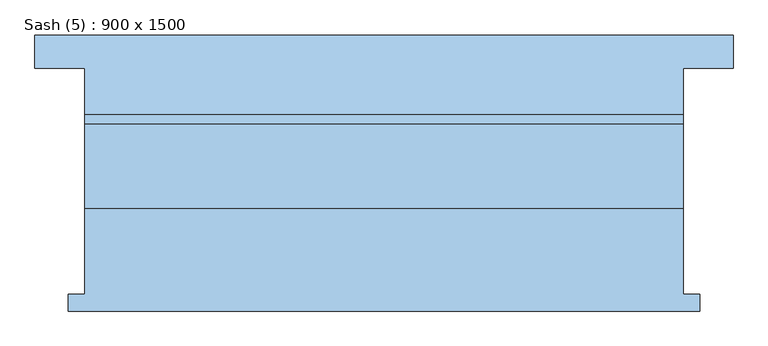
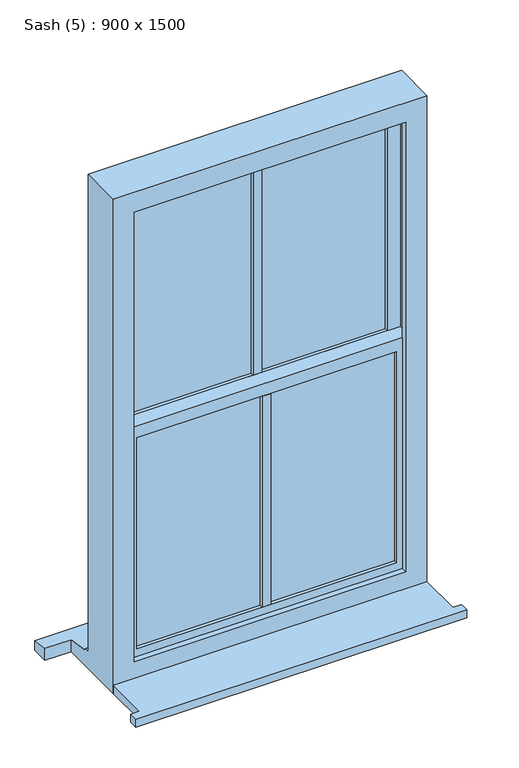
"""IFC4 building model written with IfcOpenShell, lengths in millimetres: window geometry, Sash (5) : 900 x 1500."""

from ifc_helpers import new_model, si_unit, frame, origin, place, context, project, spatial, polyline, outline, extrude, faceted_brep, source, transform, mapped, element, save


def sash_5_900_x_1500_91338dac(model_context):
    return source(origin(), model_context, "Body", "SolidModel", [
        extrude(outline(polyline([(-475.0, -195.0), (-475.0, -170.0), (-450.0, -170.0), (-450.0, -40.5), (450.0, -40.5), (450.0, -170.0), (475.0, -170.0), (475.0, -195.0), (-475.0, -195.0)])), frame((0.0, 0.0, 760.0), z_axis=(0.0, 0.0, 1.0), x_axis=(1.0, 0.0, 0.0)), (0.0, 0.0, 1.0), 25.0),
        faceted_brep([(410.0, 22.5, 2220.0), (410.0, 67.5, 2220.0), (-410.0, 67.5, 2220.0), (-410.0, 22.5, 2220.0), (373.0, 33.0, 2183.0), (373.0, 22.5, 2183.0), (-373.0, 22.5, 2183.0), (-373.0, 33.0, 2183.0), (383.0, 57.0, 2193.0), (383.0, 33.0, 2193.0), (-383.0, 33.0, 2193.0), (-383.0, 57.0, 2193.0), (373.0, 67.5, 2183.0), (373.0, 57.0, 2183.0), (-373.0, 57.0, 2183.0), (-373.0, 67.5, 2183.0), (-410.0, 67.5, 1447.5), (-410.0, 22.5, 1447.5), (-373.0, 22.5, 1534.5), (-373.0, 33.0, 1534.5), (-383.0, 33.0, 1524.5), (-383.0, 57.0, 1524.5), (-373.0, 57.0, 1534.5), (-373.0, 67.5, 1534.5), (383.0, 67.5, 1497.5), (383.0, 22.5, 1497.5), (-383.0, 22.5, 1497.5), (-383.0, 67.5, 1497.5), (373.0, 22.5, 1534.5), (373.0, 33.0, 1534.5), (383.0, 33.0, 1524.5), (383.0, 57.0, 1524.5), (373.0, 57.0, 1534.5), (373.0, 67.5, 1534.5), (410.0, 22.5, 1447.5), (410.0, 67.5, 1447.5), (-390.0, 22.5, 1447.5), (390.0, 22.5, 1447.5), (390.0, 67.5, 1447.5), (-390.0, 67.5, 1447.5)], [[[0, 1, 2, 3]], [[4, 5, 6, 7]], [[8, 9, 10, 11]], [[12, 13, 14, 15]], [[3, 2, 16, 17]], [[7, 6, 18, 19]], [[11, 10, 20, 21]], [[15, 14, 22, 23]], [[24, 25, 26, 27]], [[19, 18, 28, 29]], [[21, 20, 30, 31]], [[23, 22, 32, 33]], [[1, 0, 34, 35]], [[0, 3, 17, 36, 26, 25, 37, 34], [6, 5, 28, 18]], [[5, 4, 29, 28]], [[10, 9, 30, 20], [4, 7, 19, 29]], [[9, 8, 31, 30]], [[8, 11, 21, 31], [14, 13, 32, 22]], [[13, 12, 33, 32]], [[16, 2, 1, 35, 38, 24, 27, 39], [12, 15, 23, 33]], [[37, 38, 35, 34]], [[38, 37, 25, 24]], [[36, 17, 16, 39]], [[36, 39, 27, 26]]]),
        extrude(outline(polyline([(-12.5, 22.5), (-12.5, 67.5), (12.5, 67.5), (12.5, 22.5), (-12.5, 22.5)])), frame((0.0, 0.0, 1534.5), z_axis=(0.0, 0.0, 1.0), x_axis=(1.0, 0.0, 0.0)), (0.0, 0.0, 1.0), 648.5),
        extrude(outline(polyline([(12.5, 22.5), (12.5, -22.5), (-12.5, -22.5), (-12.5, 22.5), (12.5, 22.5)])), frame((0.0, 0.0, 858.0), z_axis=(0.0, 0.0, 1.0), x_axis=(1.0, 0.0, 0.0)), (0.0, 0.0, 1.0), 640.0),
        extrude(outline(polyline([(383.0, 33.0), (-383.0, 33.0), (-383.0, 57.0), (383.0, 57.0), (383.0, 33.0)])), frame((0.0, 0.0, 1524.5), z_axis=(0.0, 0.0, 1.0), x_axis=(1.0, 0.0, 0.0)), (0.0, 0.0, 1.0), 668.5),
        extrude(outline(polyline([(383.0, -12.0), (-383.0, -12.0), (-383.0, 12.0), (383.0, 12.0), (383.0, -12.0)])), frame((0.0, 0.0, 848.0), z_axis=(0.0, 0.0, 1.0), x_axis=(1.0, 0.0, 0.0)), (0.0, 0.0, 1.0), 660.0),
        faceted_brep([(373.0, -12.0, 1498.0), (373.0, -22.5, 1498.0), (-373.0, -22.5, 1498.0), (-373.0, -12.0, 1498.0), (383.0, 12.0, 1508.0), (383.0, -12.0, 1508.0), (-383.0, -12.0, 1508.0), (-383.0, 12.0, 1508.0), (373.0, 22.5, 1498.0), (373.0, 12.0, 1498.0), (-373.0, 12.0, 1498.0), (-373.0, 22.5, 1498.0), (410.0, -22.5, 1535.0), (410.0, 22.5, 1535.0), (-410.0, 22.5, 1535.0), (-410.0, -22.5, 1535.0), (-373.0, -22.5, 858.0), (-373.0, -12.0, 858.0), (-383.0, -12.0, 848.0), (-383.0, 12.0, 848.0), (-373.0, 12.0, 858.0), (-373.0, 22.5, 858.0), (-410.0, 22.5, 821.0), (-410.0, -22.5, 821.0), (373.0, -22.5, 858.0), (373.0, -12.0, 858.0), (383.0, -12.0, 848.0), (383.0, 12.0, 848.0), (373.0, 12.0, 858.0), (373.0, 22.5, 858.0), (410.0, 22.5, 821.0), (410.0, -22.5, 821.0)], [[[0, 1, 2, 3]], [[4, 5, 6, 7]], [[8, 9, 10, 11]], [[12, 13, 14, 15]], [[3, 2, 16, 17]], [[7, 6, 18, 19]], [[11, 10, 20, 21]], [[15, 14, 22, 23]], [[17, 16, 24, 25]], [[19, 18, 26, 27]], [[21, 20, 28, 29]], [[23, 22, 30, 31]], [[15, 23, 31, 12], [1, 24, 16, 2]], [[25, 24, 1, 0]], [[5, 26, 18, 6], [3, 17, 25, 0]], [[27, 26, 5, 4]], [[7, 19, 27, 4], [9, 28, 20, 10]], [[29, 28, 9, 8]], [[13, 30, 22, 14], [11, 21, 29, 8]], [[31, 30, 13, 12]]]),
        faceted_brep([(450.0, 85.5, 2260.0), (450.0, -40.5, 2260.0), (450.0, -40.5, 760.0), (450.0, 170.0, 760.0), (450.0, 170.0, 796.4365992), (450.0, 100.5, 806.6), (450.0, 100.5, 811.0), (450.0, 85.5, 811.0), (-450.0, -40.5, 2260.0), (-450.0, -40.5, 760.0), (-390.0, -40.5, 2200.0), (390.0, -40.5, 2200.0), (390.0, -40.5, 835.0), (-390.0, -40.5, 835.0), (390.0, -22.5, 2200.0), (390.0, -22.5, 835.0), (-410.0, -22.5, 2220.0), (410.0, -22.5, 2220.0), (410.0, -22.5, 823.0), (-410.0, -22.5, 823.0), (-390.0, -22.5, 2200.0), (-390.0, -22.5, 835.0), (410.0, 67.5, 2220.0), (410.0, 67.5, 823.0), (-410.0, 67.5, 2220.0), (-410.0, 67.5, 823.0), (-390.0, 67.5, 823.0), (-390.0, 67.5, 2200.0), (390.0, 67.5, 2200.0), (390.0, 67.5, 823.0), (390.0, 85.5, 2200.0), (390.0, 85.5, 823.0), (-450.0, 85.5, 811.0), (-450.0, 85.5, 2260.0), (-390.0, 85.5, 2200.0), (-390.0, 85.5, 823.0), (-450.0, 100.5, 811.0), (-450.0, 100.5, 806.6), (-450.0, 170.0, 796.4365992), (-450.0, 170.0, 760.0), (525.0, 220.0, 789.1248), (-525.0, 220.0, 789.1248), (-525.0, 170.0, 796.4365992), (525.0, 170.0, 796.4365992), (-525.0, 220.0, 760.0), (525.0, 220.0, 760.0), (525.0, 170.0, 760.0), (-525.0, 170.0, 760.0)], [[[0, 1, 2, 3, 4, 5, 6, 7]], [[2, 1, 8, 9], [10, 11, 12, 13]], [[11, 14, 15, 12]], [[16, 17, 18, 19], [14, 20, 21, 15]], [[17, 22, 23, 18]], [[22, 24, 25, 26, 27, 28, 29, 23]], [[28, 30, 31, 29]], [[32, 33, 0, 7], [30, 34, 35, 31]], [[1, 0, 33, 8]], [[11, 10, 20, 14]], [[17, 16, 24, 22]], [[28, 27, 34, 30]], [[8, 33, 32, 36, 37, 38, 39, 9]], [[20, 10, 13, 21]], [[24, 16, 19, 25]], [[34, 27, 26, 35]], [[15, 21, 13, 12]], [[31, 35, 26, 25, 19, 18, 23, 29]], [[32, 7, 6, 36]], [[36, 6, 5, 37]], [[40, 41, 42, 38, 37, 5, 4, 43]], [[44, 41, 40, 45]], [[44, 45, 46, 3, 2, 9, 39, 47]], [[41, 44, 47, 42]], [[45, 40, 43, 46]], [[39, 38, 42, 47]], [[4, 3, 46, 43]]]),
    ])


if __name__ == "__main__":
    model = new_model("IFC4")
    model_context = context("Model", 3, world=origin())
    ifc_project = project(units=[si_unit("LENGTHUNIT", "METRE", prefix="MILLI")], contexts=[model_context])
    site = spatial("IfcSite", under=ifc_project)
    building = spatial("IfcBuilding", under=site)
    placement = place(None, origin())
    sash_5_900_x_1500_shape = sash_5_900_x_1500_91338dac(model_context)
    element("IfcWindow", 1, ObjectType="Sash (5) : 900 x 1500", at=placement, inside=building, context=model_context, shape_type="MappedRepresentation", body=[
        mapped(sash_5_900_x_1500_shape, transform((0.0, 0.0, 0.0), x_axis=(1.0, 0.0, 0.0), y_axis=(0.0, 1.0, 0.0), z_axis=(0.0, 0.0, 1.0))),
    ])
    save(model, "model.ifc")
